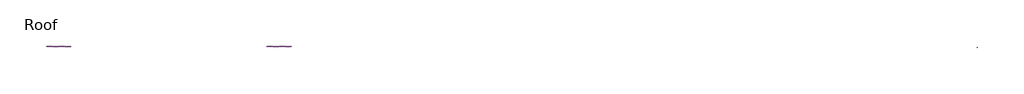
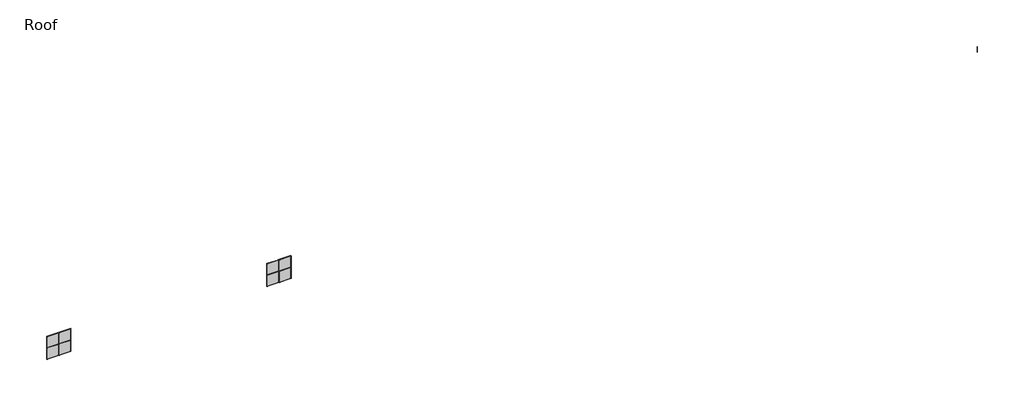
# One storey: 25 members, 8 plates.
"""IFC4 building model written with IfcOpenShell, lengths in millimetres."""

import ifcopenshell
import ifcopenshell.guid

model = None  # the IFC model being written
_history = None  # IfcOwnerHistory: only IFC2X3 demands one
_inside = {}  # id of a spatial element -> (the spatial element, [elements in it])
_under = {}  # id of a project, library or spatial element -> (it, [spatial elements below it])
_declared = {}  # id of a project -> (the project, [libraries it declares])
_typed = {}  # id of a type object -> (the type object, [elements of that type])
_made_of = {}  # id of a material, layer set ... -> (it, [elements and type objects made of it])


def new_model(schema):
    """Start an empty IFC model of exactly this schema.

    Asked for "IFC4X3", IfcOpenShell would pick the latest addendum, in which some entities
    have other attributes; the version numbers below select the first issue.
    IFC2X3 requires an IfcOwnerHistory on every rooted entity: one is made here for all.
    """
    global model, _history
    if schema == "IFC4X3":
        model = ifcopenshell.file(schema_version=(4, 3, 0, 0))
    else:
        model = ifcopenshell.file(schema=schema)
    _inside.clear()
    _under.clear()
    _declared.clear()
    _typed.clear()
    _made_of.clear()
    _history = None
    if model.schema == "IFC2X3":
        org = make("IfcOrganization", Name="unknown")
        user = make(
            "IfcPersonAndOrganization",
            ThePerson=make("IfcPerson", FamilyName="unknown"),
            TheOrganization=org,
        )
        app = make(
            "IfcApplication",
            ApplicationDeveloper=org,
            Version="unknown",
            ApplicationFullName="unknown",
            ApplicationIdentifier="unknown",
        )
        _history = make(
            "IfcOwnerHistory",
            OwningUser=user,
            OwningApplication=app,
            ChangeAction="ADDED",
            CreationDate=0,
        )
    return model


def make(cls, **values):
    """One entity of the class cls with the attributes given. An attribute that is None is left unset."""
    return model.create_entity(
        cls, **{name: value for name, value in values.items() if value is not None}
    )


def rooted(cls, **values):
    """An entity with a GlobalId (a new one), such as an element, a storey or a relation."""
    return make(cls, GlobalId=ifcopenshell.guid.new(), OwnerHistory=_history, **values)


def si_unit(unit_type, name, prefix=None):
    """IfcSIUnit, for example si_unit("LENGTHUNIT", "METRE", prefix="MILLI")."""
    return make("IfcSIUnit", UnitType=unit_type, Prefix=prefix, Name=name)


def assignment(units):
    """IfcUnitAssignment: the units of a project."""
    return None if units is None else make("IfcUnitAssignment", Units=units)


def point(xyz):
    """IfcCartesianPoint."""
    return None if xyz is None else make("IfcCartesianPoint", Coordinates=xyz)


def direction(xyz):
    """IfcDirection."""
    return None if xyz is None else make("IfcDirection", DirectionRatios=xyz)


def frame(location, z_axis=None, x_axis=None):
    """IfcAxis2Placement3D, a coordinate frame: its origin and axes. An axis left out is left unset."""
    return make(
        "IfcAxis2Placement3D",
        Location=point(location),
        Axis=direction(z_axis),
        RefDirection=direction(x_axis),
    )


def frame_2d(location, x_axis=None):
    """IfcAxis2Placement2D, a coordinate frame in the plane: its origin and x axis."""
    return make(
        "IfcAxis2Placement2D", Location=point(location), RefDirection=direction(x_axis)
    )


def origin():
    """The frame at (0, 0, 0) with its axes left unset."""
    return frame((0.0, 0.0, 0.0))


def origin_with_axes():
    """The frame at (0, 0, 0) with the z axis (0, 0, 1) and the x axis (1, 0, 0) written out."""
    return frame((0.0, 0.0, 0.0), z_axis=(0.0, 0.0, 1.0), x_axis=(1.0, 0.0, 0.0))


def place(relative_to, where):
    """IfcLocalPlacement: puts the frame where relative to a parent placement (None: the world)."""
    return make(
        "IfcLocalPlacement", PlacementRelTo=relative_to, RelativePlacement=where
    )


def context(
    kind, dimensions, precision=None, world=None, true_north=None, identifier=None
):
    """IfcGeometricRepresentationContext, for example the 3D "Model" context."""
    return make(
        "IfcGeometricRepresentationContext",
        ContextIdentifier=identifier,
        ContextType=kind,
        CoordinateSpaceDimension=dimensions,
        Precision=precision,
        WorldCoordinateSystem=world,
        TrueNorth=true_north,
    )


def project(units=None, contexts=None):
    """IfcProject with its units and contexts."""
    return rooted(
        "IfcProject",
        Name="project",
        RepresentationContexts=contexts,
        UnitsInContext=assignment(units),
    )


def spatial(cls, under=None, at=None, **own):
    """A site, building, storey or space (cls), placed at a placement, below another one or the project."""
    s = rooted(cls, ObjectPlacement=at, **own)
    if under is not None:
        _under.setdefault(under.id(), (under, []))[1].append(s)
    return s


def polyline(points):
    """IfcPolyline through the points."""
    return make("IfcPolyline", Points=[point(p) for p in points])


def circle_curve(where, radius):
    """IfcCircle in the frame where."""
    return make("IfcCircle", Position=where, Radius=radius)


def trimmed(basis, trim1, trim2, sense, master):
    """IfcTrimmedCurve: the piece of a basis curve between two trims."""
    return make(
        "IfcTrimmedCurve",
        BasisCurve=basis,
        Trim1=trim1,
        Trim2=trim2,
        SenseAgreement=sense,
        MasterRepresentation=master,
    )


def segment(curve, same_sense, transition):
    """IfcCompositeCurveSegment."""
    return make(
        "IfcCompositeCurveSegment",
        Transition=transition,
        SameSense=same_sense,
        ParentCurve=curve,
    )


def composite_curve(segments, self_intersect=None):
    """IfcCompositeCurve: segments joined end to end."""
    return make("IfcCompositeCurve", Segments=segments, SelfIntersect=self_intersect)


def outline(outer, holes=None, kind="AREA"):
    """IfcArbitraryClosedProfileDef: a profile drawn as a closed curve; with holes, ...WithVoids."""
    if holes is None:
        return make("IfcArbitraryClosedProfileDef", ProfileType=kind, OuterCurve=outer)
    return make(
        "IfcArbitraryProfileDefWithVoids",
        ProfileType=kind,
        OuterCurve=outer,
        InnerCurves=holes,
    )


def extrude(swept, where, along, depth):
    """IfcExtrudedAreaSolid: the profile swept, set in the frame where, extruded along a direction by depth."""
    return make(
        "IfcExtrudedAreaSolid",
        SweptArea=swept,
        Position=where,
        ExtrudedDirection=direction(along),
        Depth=depth,
    )


def shape(context_of_items, identifier, shape_type, items):
    """IfcShapeRepresentation: the items that make up one representation, for example the "Body"."""
    return make(
        "IfcShapeRepresentation",
        ContextOfItems=context_of_items,
        RepresentationIdentifier=identifier,
        RepresentationType=shape_type,
        Items=items,
    )


def source(mapping_origin, context_of_items, identifier, shape_type, items):
    """IfcRepresentationMap: a shape defined once, which mapped items show again and again."""
    return make(
        "IfcRepresentationMap",
        MappingOrigin=mapping_origin,
        MappedRepresentation=shape(context_of_items, identifier, shape_type, items),
    )


def transform(
    local_origin,
    x_axis=None,
    y_axis=None,
    z_axis=None,
    scale=None,
    scale2=None,
    scale3=None,
    uniform=True,
):
    """IfcCartesianTransformationOperator3D, or its non-uniform kind. x_axis, y_axis, z_axis: its Axis1, 2, 3."""
    if uniform:
        return make(
            "IfcCartesianTransformationOperator3D",
            Axis1=direction(x_axis),
            Axis2=direction(y_axis),
            LocalOrigin=point(local_origin),
            Scale=scale,
            Axis3=direction(z_axis),
        )
    return make(
        "IfcCartesianTransformationOperator3DnonUniform",
        Axis1=direction(x_axis),
        Axis2=direction(y_axis),
        LocalOrigin=point(local_origin),
        Scale=scale,
        Axis3=direction(z_axis),
        Scale2=scale2,
        Scale3=scale3,
    )


def mapped(mapping_source, mapping_target):
    """IfcMappedItem: shows the shape of a source again, moved by a transform."""
    return make(
        "IfcMappedItem", MappingSource=mapping_source, MappingTarget=mapping_target
    )


def made_of(thing, what):
    """Note that an element or type object is made of a material, layer set ...; save() writes the relation."""
    if what is not None:
        _made_of.setdefault(what.id(), (what, []))[1].append(thing)
    return thing


def element(
    cls,
    number,
    at=None,
    inside=None,
    cuts=None,
    type_object=None,
    material=None,
    context=None,
    identifier="Body",
    shape_type=None,
    held_by="IfcProductDefinitionShape",
    body=None,
    shapes=None,
    **own,
):
    """One element of the class cls, such as IfcWall. Its Tag is "e" and its number.

    at: its placement. inside: the storey or other place that contains it. cuts: it is an
    opening in that element (IfcRelVoidsElement). A single representation is given by context,
    identifier, shape_type and body (its items); several are given by shapes. held_by: the class
    of the entity that holds the representations. save() writes the other relations.
    """
    e = rooted(cls, Tag="e%d" % number, ObjectPlacement=at, **own)
    if body is not None:
        shapes = [shape(context, identifier, shape_type, body)]
    if shapes is not None:
        e.Representation = make(held_by, Representations=shapes)
    if inside is not None:
        _inside.setdefault(inside.id(), (inside, []))[1].append(e)
    if cuts is not None:
        rooted(
            "IfcRelVoidsElement", RelatingBuildingElement=cuts, RelatedOpeningElement=e
        )
    if type_object is not None:
        _typed.setdefault(type_object.id(), (type_object, []))[1].append(e)
    return made_of(e, material)


def aggregate(whole, parts):
    """IfcRelAggregates: a whole, such as a stair, and the parts it consists of."""
    return rooted("IfcRelAggregates", RelatingObject=whole, RelatedObjects=parts)


def save(model, path):
    """Write the relations noted so far, then the file.

    IfcRelAggregates (storeys below a building ...), IfcRelContainedInSpatialStructure (elements
    in a storey), IfcRelDefinesByType, IfcRelAssociatesMaterial and IfcRelDeclares: one each for
    every whole, place, type object, material and project.
    """
    for whole, parts in _under.values():
        aggregate(whole, parts)
    for where, things in _inside.values():
        rooted(
            "IfcRelContainedInSpatialStructure",
            RelatedElements=things,
            RelatingStructure=where,
        )
    for kind, things in _typed.values():
        rooted("IfcRelDefinesByType", RelatedObjects=things, RelatingType=kind)
    for what, things in _made_of.values():
        rooted("IfcRelAssociatesMaterial", RelatedObjects=things, RelatingMaterial=what)
    for by, libraries in _declared.values():
        rooted("IfcRelDeclares", RelatingContext=by, RelatedDefinitions=libraries)
    model.write(path)


def rectangular_mullion_fd954d66(model_context):
    return source(origin(), model_context, "Body", "SweptSolid", [
        extrude(outline(composite_curve([segment(trimmed(circle_curve(frame_2d((-14.4781283, -76.3341101)), 19.1273576), [point((0.0, -63.8345257))], [point((-15.5444015, -57.2364958))], True, "CARTESIAN"), True, "CONTINUOUS"), segment(polyline([(-15.5444015, -57.2364958), (-132.2066015, -57.2314068), (-132.2066015, 32.2781932), (-123.8064304, 32.2781932), (-123.8064304, 29.7380662), (-112.5216015, 29.7380662)]), True, "CONTINUOUS"), segment(trimmed(circle_curve(frame_2d((-112.5216015, 32.2780662)), 2.54), [point((-112.5216015, 29.7380662))], [point((-109.9816015, 32.2780662))], True, "CARTESIAN"), True, "CONTINUOUS"), segment(polyline([(-109.9816015, 32.2780662), (-109.9816015, 53.5125932)]), True, "CONTINUOUS"), segment(trimmed(circle_curve(frame_2d((-111.5056015, 53.5125932)), 1.524), [point((-109.9816015, 53.5125932))], [point((-111.5056015, 55.0365932))], True, "CARTESIAN"), True, "CONTINUOUS"), segment(polyline([(-111.5056015, 55.0365932), (-123.8119015, 55.0365932), (-123.8119015, 48.1785932), (-132.2066015, 48.1785932), (-132.2066015, 57.0685932), (-15.5444015, 57.0738091)]), True, "CONTINUOUS"), segment(trimmed(circle_curve(frame_2d((-14.4781283, 76.1714234)), 19.1273576), [point((-15.5444015, 57.0738091))], [point((0.0, 63.671839))], True, "CARTESIAN"), True, "CONTINUOUS"), segment(polyline([(0.0, 63.671839), (0.0, -63.8345257)]), True, "CONTINUOUS")], self_intersect=False)), frame((0.0, 0.0, -3048.0), z_axis=(0.0, 0.0, 1.0), x_axis=(1.0, 0.0, 0.0)), (0.0, 0.0, 1.0), 3048.0),
    ])


def rectangular_mullion_c018686a(model_context):
    return source(origin(), model_context, "Body", "SweptSolid", [
        extrude(outline(composite_curve([segment(polyline([(25.4, -56.7783992), (-25.4, -56.7783992), (-25.4, 37.5530336), (-6.35381, 37.5530336), (-6.35381, 43.9009623)]), True, "CONTINUOUS"), segment(trimmed(circle_curve(frame_2d((-0.001905, 60.8852617)), 18.133205), [point((-6.35381, 43.9009623))], [point((6.35, 43.9009623))], True, "CARTESIAN"), True, "CONTINUOUS"), segment(polyline([(6.35, 43.9009623), (6.35, 37.5299617), (25.4, 37.5299617), (25.4, -56.7783992)]), True, "CONTINUOUS")], self_intersect=False)), frame((0.0, 0.0, -6096.0), z_axis=(0.0, 0.0, 1.0), x_axis=(1.0, 0.0, 0.0)), (0.0, 0.0, 1.0), 6096.0),
    ])


def rectangular_mullion_b3b58000(model_context):
    return source(origin(), model_context, "Body", "SweptSolid", [
        extrude(outline(polyline([(0.0, -59.9711801), (-50.7746, -59.9711801), (-50.7746, 37.4228461), (-41.2496, 37.4228461), (-41.2496, 43.8630845), (-50.7746, 43.8630845), (-50.7746, 60.6788199), (0.0, 60.6788199), (0.0, -59.9711801)])), frame((0.0, 0.0, -6019.8), z_axis=(0.0, 0.0, 1.0), x_axis=(1.0, 0.0, 0.0)), (0.0, 0.0, 1.0), 6019.8),
    ])


def rectangular_mullion_9a50028f(model_context):
    return source(origin(), model_context, "Body", "SweptSolid", [
        extrude(outline(polyline([(25.577466, -55.7885929), (-25.222534, -55.7885929), (-25.222534, 37.549145), (-15.888034, 37.549145), (-15.888034, 43.899145), (-25.222534, 43.899145), (-25.222534, 56.937275), (25.577466, 56.937275), (25.577466, 43.8743403), (16.052466, 43.8743403), (16.052466, 37.5367426), (25.577466, 37.5367426), (25.577466, -55.7885929)])), frame((0.0, 0.0, -6000.75), z_axis=(0.0, 0.0, 1.0), x_axis=(1.0, 0.0, 0.0)), (0.0, 0.0, 1.0), 6000.75),
    ])


def rectangular_mullion_ac8c7720(model_context):
    return source(origin(), model_context, "Body", "SweptSolid", [
        extrude(outline(polyline([(-50.7746, 37.4716396), (-41.2496, 37.4716396), (-41.2496, 43.911878), (-50.7746, 43.911878), (-50.7746, 60.7056888), (0.0, 60.7056888), (0.0, -59.9443112), (-50.7746, -59.9443112), (-50.7746, 37.4716396)])), frame((0.0, 0.0, -6000.75), z_axis=(0.0, 0.0, 1.0), x_axis=(1.0, 0.0, 0.0)), (0.0, 0.0, 1.0), 6000.75),
    ])


def rectangular_mullion_5c6e44ed(model_context):
    return source(origin(), model_context, "Body", "SweptSolid", [
        extrude(outline(polyline([(0.0, -56.6539294), (-50.8, -56.6539294), (-50.8, 37.5412993), (-41.275, 37.5412993), (-41.275, 43.8912993), (-49.0449765, 43.8912993), (-49.0449765, 57.6460706), (0.0, 57.6460706), (0.0, -56.6539294)])), frame((0.0, 0.0, -6096.0), z_axis=(0.0, 0.0, 1.0), x_axis=(1.0, 0.0, 0.0)), (0.0, 0.0, 1.0), 6096.0),
    ])


def rectangular_mullion_3f46d58b(model_context):
    return source(origin(), model_context, "Body", "SweptSolid", [
        extrude(outline(polyline([(25.3987808, 25.5906905), (25.3987808, 11.8759776), (16.09725, 11.8759776), (16.09725, 5.5259776), (25.3987808, 5.5259776), (25.3987808, -25.2093095), (46.0362808, -25.2093095), (46.0362808, -28.3843095), (-46.0387192, -28.3843095), (-46.0387192, -25.2093095), (-27.0045942, -25.2093095), (-27.0045942, 5.5259776), (-16.09725, 5.5259776), (-16.09725, 11.8759776), (-26.6077192, 11.8759776), (-26.6077192, 25.5906905), (25.3987808, 25.5906905)])), frame((0.0, 0.0, -6096.0), z_axis=(0.0, 0.0, 1.0), x_axis=(1.0, 0.0, 0.0)), (0.0, 0.0, 1.0), 6096.0),
    ])


def rectangular_mullion_4afe8cf6(model_context):
    return source(origin(), model_context, "Body", "SweptSolid", [
        extrude(outline(composite_curve([segment(polyline([(-9.525, -28.4594839), (-60.2996, -28.4594839), (-60.2996, 5.5949086), (-50.7746, 5.5949086), (-50.7746, 11.9449086), (-60.2996, 11.9449086), (-60.2996, 28.6905161), (-9.525, 28.6905161)]), True, "CONTINUOUS"), segment(trimmed(circle_curve(frame_2d((-8.4161053, 40.7033417)), 12.0638976), [point((-9.525, 28.6905161))], [point((0.0, 32.0600322))], True, "CARTESIAN"), True, "CONTINUOUS"), segment(polyline([(0.0, 32.0600322), (0.0, -16.3495041), (-9.525, -16.3495041), (-9.525, -28.4594839)]), True, "CONTINUOUS")], self_intersect=False)), frame((0.0, 0.0, -5989.632717), z_axis=(0.0, 0.0, 1.0), x_axis=(1.0, 0.0, 0.0)), (0.0, 0.0, 1.0), 5989.632717),
    ])


def rectangular_mullion_d81495e9(model_context):
    return source(origin(), model_context, "Body", "SweptSolid", [
        extrude(outline(composite_curve([segment(polyline([(25.3975616, 25.0023313), (25.3975616, 11.9550656), (15.8762192, 11.9550656), (15.8762192, 5.6050656), (25.3975616, 5.6050656), (25.3975616, -25.2007687), (46.0375, -25.2007688), (46.0375, -28.3757688), (15.24, -28.3757688)]), True, "CONTINUOUS"), segment(trimmed(circle_curve(frame_2d((15.24, -25.2007687)), 3.175), [point((15.24, -28.3757688))], [point((12.1093932, -25.7298489))], False, "CARTESIAN"), True, "CONTINUOUS"), segment(trimmed(circle_curve(frame_2d((8.9787863, -26.258929)), 3.175), [point((12.1093932, -25.7298489))], [point((8.9787863, -23.083929))], True, "CARTESIAN"), True, "CONTINUOUS"), segment(polyline([(8.9787863, -23.083929), (-8.9787863, -23.083929)]), True, "CONTINUOUS"), segment(trimmed(circle_curve(frame_2d((-8.9787863, -26.258929)), 3.175), [point((-8.9787863, -23.083929))], [point((-12.1093932, -25.7298489))], True, "CARTESIAN"), True, "CONTINUOUS"), segment(trimmed(circle_curve(frame_2d((-15.24, -25.2007687)), 3.175), [point((-12.1093932, -25.7298489))], [point((-15.24, -28.3757687))], False, "CARTESIAN"), True, "CONTINUOUS"), segment(polyline([(-15.24, -28.3757687), (-46.0375, -28.3757687), (-46.0375, -25.2007687), (-25.4012192, -25.2007688), (-25.4012192, 5.9523313), (-16.0642808, 5.9523313), (-16.0642808, 12.3023313), (-25.4012192, 12.3023313), (-25.4012192, 25.0023313), (25.3975616, 25.0023313)]), True, "CONTINUOUS")], self_intersect=False)), frame((0.0, 0.0, -5986.4612808), z_axis=(0.0, 0.0, 1.0), x_axis=(1.0, 0.0, 0.0)), (0.0, 0.0, 1.0), 5986.4612808),
    ])


def rectangular_mullion_22a14ff7(model_context):
    return source(origin(), model_context, "Body", "SweptSolid", [
        extrude(outline(composite_curve([segment(polyline([(-9.525, -19.5874442), (-9.525, -27.9610682), (-60.2996, -27.9610682), (-60.2996, 6.0003946), (-50.7746, 6.0003946), (-50.7746, 12.3301626), (-60.2996, 12.3301626), (-60.2996, 25.4043318), (-33.3006192, 25.4043318), (-33.3006192, 29.1889318), (-9.525, 29.1889318)]), True, "CONTINUOUS"), segment(trimmed(circle_curve(frame_2d((-8.4008069, 41.1585118)), 12.0222566), [point((-9.525, 29.1889318))], [point((0.0, 32.558448))], True, "CARTESIAN"), True, "CONTINUOUS"), segment(polyline([(0.0, 32.558448), (0.0, -19.5874442), (-9.525, -19.5874442)]), True, "CONTINUOUS")], self_intersect=False)), frame((0.0, 0.0, -6000.75), z_axis=(0.0, 0.0, 1.0), x_axis=(1.0, 0.0, 0.0)), (0.0, 0.0, 1.0), 6000.75),
    ])


def rectangular_mullion_e8343105(model_context):
    return source(origin(), model_context, "Body", "SweptSolid", [
        extrude(outline(composite_curve([segment(polyline([(-9.5134254, -16.8495084), (-9.5261254, -25.1965423), (-60.3285638, -25.1965423), (-60.3285638, 5.6068317), (-51.0245946, 5.6068317), (-51.0245946, 11.8976573), (-60.3285638, 11.8976573), (-60.3285638, 25.6034577), (-9.5261254, 25.6034577), (-9.5261254, 28.7784577)]), True, "CONTINUOUS"), segment(trimmed(circle_curve(frame_2d((-7.2953837, 37.2868144)), 8.7959275), [point((-9.5261254, 28.7784577))], [point((0.0, 32.3729852))], True, "CARTESIAN"), True, "CONTINUOUS"), segment(polyline([(0.0, 32.3729852), (0.0, -16.8495084), (-9.5134254, -16.8495084)]), True, "CONTINUOUS")], self_intersect=False)), frame((0.0, 0.0, -6096.0), z_axis=(0.0, 0.0, 1.0), x_axis=(1.0, 0.0, 0.0)), (0.0, 0.0, 1.0), 6096.0),
    ])


def rectangular_mullion_rectangular_mullion_1_8521bc13(model_context):
    return source(origin(), model_context, "Body", "SweptSolid", [
        extrude(outline(polyline([(31.75, 63.5), (31.75, -63.5), (-31.75, -63.5), (-31.75, 63.5), (31.75, 63.5)])), frame((0.0, 0.0, -6096.0), z_axis=(0.0, 0.0, 1.0), x_axis=(1.0, 0.0, 0.0)), (0.0, 0.0, 1.0), 6096.0),
    ])


def rectangular_mullion_rectangular_mullion_1_ac156f2b(model_context):
    return source(origin(), model_context, "Body", "SweptSolid", [
        extrude(outline(polyline([(0.0, 63.5), (0.0, -63.5), (-63.5, -63.5), (-63.5, 63.5), (0.0, 63.5)])), frame((0.0, 0.0, -6096.0), z_axis=(0.0, 0.0, 1.0), x_axis=(1.0, 0.0, 0.0)), (0.0, 0.0, 1.0), 6096.0),
    ])


def rectangular_mullion_rectangular_mullion_1_7c03d1f1(model_context):
    return source(origin(), model_context, "Body", "SweptSolid", [
        extrude(outline(polyline([(0.0, 63.5), (0.0, -63.5), (-63.5, -63.5), (-63.5, 63.5), (0.0, 63.5)])), frame((0.0, 0.0, -6038.85), z_axis=(0.0, 0.0, 1.0), x_axis=(1.0, 0.0, 0.0)), (0.0, 0.0, 1.0), 6038.85),
    ])


def rectangular_mullion_rectangular_mullion_1_59159d86(model_context):
    return source(origin(), model_context, "Body", "SweptSolid", [
        extrude(outline(polyline([(31.75, 63.5), (31.75, -63.5), (-31.75, -63.5), (-31.75, 63.5), (31.75, 63.5)])), frame((0.0, 0.0, -6032.5), z_axis=(0.0, 0.0, 1.0), x_axis=(1.0, 0.0, 0.0)), (0.0, 0.0, 1.0), 6032.5),
    ])


def rectangular_mullion_rectangular_mullion_1_3f26a5c1(model_context):
    return source(origin(), model_context, "Body", "SweptSolid", [
        extrude(outline(polyline([(0.0, 63.5), (0.0, -63.5), (-63.5, -63.5), (-63.5, 63.5), (0.0, 63.5)])), frame((0.0, 0.0, -6032.5), z_axis=(0.0, 0.0, 1.0), x_axis=(1.0, 0.0, 0.0)), (0.0, 0.0, 1.0), 6032.5),
    ])


def rectangular_mullion_rectangular_mullion_1_06935588(model_context):
    return source(origin(), model_context, "Body", "SweptSolid", [
        extrude(outline(polyline([(0.0, 63.5), (0.0, -63.5), (-63.5, -63.5), (-63.5, 63.5), (0.0, 63.5)])), frame((0.0, 0.0, -6018.0639632), z_axis=(0.0, 0.0, 1.0), x_axis=(1.0, 0.0, 0.0)), (0.0, 0.0, 1.0), 6018.0639632),
    ])


def rectangular_mullion_rectangular_mullion_1_8f23b4e0(model_context):
    return source(origin(), model_context, "Body", "SweptSolid", [
        extrude(outline(polyline([(31.75, 63.5), (31.75, -63.5), (-31.75, -63.5), (-31.75, 63.5), (31.75, 63.5)])), frame((0.0, 0.0, -6018.0639632), z_axis=(0.0, 0.0, 1.0), x_axis=(1.0, 0.0, 0.0)), (0.0, 0.0, 1.0), 6018.0639632),
    ])


def curtain_panel33_curtain_panel_84496fcb(model_context):
    return source(origin(), model_context, "Body", "SweptSolid", [
        extrude(outline(polyline([(516890.6179845, 2929.2807893), (510842.2467945, 2929.2807893), (510842.2467945, 2935.6307893), (516890.6179845, 2935.6307893), (516890.6179845, 2929.2807893)])), frame((0.0, 0.0, 11335.719352), z_axis=(0.0, 0.0, 1.0), x_axis=(1.0, 0.0, 0.0)), (0.0, 0.0, 1.0), 6038.697934),
    ])


def curtain_panel34_curtain_panel_d8b5cee8(model_context):
    return source(origin(), model_context, "Body", "SweptSolid", [
        extrude(outline(polyline([(516865.2217945, 2929.2807893), (510864.4717945, 2929.2807893), (510864.4717945, 2935.6307893), (516865.2217945, 2935.6307893), (516865.2217945, 2929.2807893)])), frame((0.0, 0.0, 5264.916486), z_axis=(0.0, 0.0, 1.0), x_axis=(1.0, 0.0, 0.0)), (0.0, 0.0, 1.0), 6038.862366),
    ])


def curtain_panel35_curtain_panel_46f58d58(model_context):
    return source(origin(), model_context, "Body", "SweptSolid", [
        extrude(outline(polyline([(522961.2217945, 2929.2807893), (516903.3217945, 2929.2807893), (516903.3217945, 2935.6307893), (522961.2217945, 2935.6307893), (522961.2217945, 2929.2807893)])), frame((0.0, 0.0, 11351.416886), z_axis=(0.0, 0.0, 1.0), x_axis=(1.0, 0.0, 0.0)), (0.0, 0.0, 1.0), 6000.75),
    ])


def curtain_panel36_curtain_panel_efc78c7e(model_context):
    return source(origin(), model_context, "Body", "SweptSolid", [
        extrude(outline(polyline([(627988.0033653, 2961.2292268), (621959.1252099, 2961.2292268), (621959.1252099, 2967.5792268), (627988.0033653, 2967.5792268), (627988.0033653, 2961.2292268)])), frame((0.0, 0.0, 11335.5431052), z_axis=(0.0, 0.0, 1.0), x_axis=(1.0, 0.0, 0.0)), (0.0, 0.0, 1.0), 6029.3491808),
    ])


def curtain_panel37_curtain_panel_f6ef3222(model_context):
    return source(origin(), model_context, "Body", "SweptSolid", [
        extrude(outline(polyline([(627972.3506153, 2960.8323518), (621971.6006153, 2960.8323518), (621971.6006153, 2967.1823518), (627972.3506153, 2967.1823518), (627972.3506153, 2960.8323518)])), frame((0.0, 0.0, 5274.441486), z_axis=(0.0, 0.0, 1.0), x_axis=(1.0, 0.0, 0.0)), (0.0, 0.0, 1.0), 6029.1611192),
    ])


def curtain_panel38_curtain_panel_6c9c66c5(model_context):
    return source(origin(), model_context, "Body", "SweptSolid", [
        extrude(outline(polyline([(634068.3506153, 2961.2292268), (628020.1978653, 2961.2292268), (628020.1978653, 2967.5792268), (634068.3506153, 2967.5792268), (634068.3506153, 2961.2292268)])), frame((0.0, 0.0, 11351.416886), z_axis=(0.0, 0.0, 1.0), x_axis=(1.0, 0.0, 0.0)), (0.0, 0.0, 1.0), 6000.75),
    ])


def system_panel_glazed_c2be340c(model_context):
    return source(origin(), model_context, "Body", "SweptSolid", [
        extrude(outline(polyline([(3016.25, 19.05), (-3016.25, 19.05), (-3016.25, 44.45), (3016.25, 44.45), (3016.25, 19.05)])), origin_with_axes(), (0.0, 0.0, 1.0), 6000.75),
    ])


model = new_model("IFC4")

# Units and contexts
model_context = context("Model", 3, world=origin())
ifc_project = project(units=[si_unit("LENGTHUNIT", "METRE", prefix="MILLI")], contexts=[model_context])

# Site, building, storey
site = spatial("IfcSite", under=ifc_project)
building = spatial("IfcBuilding", under=site)
storey = spatial("IfcBuildingStorey", under=building, Name="Roof", Elevation=6096.0)

# Members
placement = place(None, origin())
rectangular_mullion_shape = rectangular_mullion_fd954d66(model_context)
element("IfcMember", 1, ObjectType="Rectangular Mullion", at=placement, inside=storey, context=model_context, shape_type="MappedRepresentation", body=[
    mapped(rectangular_mullion_shape, transform((980089.0088652, 2481.7690721, 8271.666886), x_axis=(-1.0, 0.0, 0.0), y_axis=(0.0, -1.0, 0.0), z_axis=(0.0, 0.0, 1.0))),
])
rectangular_mullion_2_shape = rectangular_mullion_c018686a(model_context)
element("IfcMember", 2, ObjectType="Rectangular Mullion", at=placement, inside=storey, context=model_context, shape_type="MappedRepresentation", body=[
    mapped(rectangular_mullion_2_shape, transform((516896.9717945, 2973.1354768, 11319.666886), x_axis=(1.0, 0.0, 0.0), y_axis=(0.0, -1.0, 0.0), z_axis=(0.0, 0.0, -1.0))),
])
rectangular_mullion_3_shape = rectangular_mullion_b3b58000(model_context)
element("IfcMember", 3, ObjectType="Rectangular Mullion", at=placement, inside=storey, context=model_context, shape_type="MappedRepresentation", body=[
    mapped(rectangular_mullion_3_shape, transform((516871.5717945, 2973.1354768, 17415.666886), x_axis=(0.0, 0.0, 1.0), y_axis=(0.0, -1.0, 0.0), z_axis=(1.0, 0.0, 0.0))),
])
rectangular_mullion_4_shape = rectangular_mullion_9a50028f(model_context)
element("IfcMember", 4, ObjectType="Rectangular Mullion", at=placement, inside=storey, context=model_context, shape_type="MappedRepresentation", body=[
    mapped(rectangular_mullion_4_shape, transform((516865.2217945, 2973.1354768, 11319.666886), x_axis=(0.0, 0.0, 1.0), y_axis=(0.0, -1.0, 0.0), z_axis=(1.0, 0.0, 0.0))),
])
rectangular_mullion_5_shape = rectangular_mullion_ac8c7720(model_context)
element("IfcMember", 5, ObjectType="Rectangular Mullion", at=placement, inside=storey, context=model_context, shape_type="MappedRepresentation", body=[
    mapped(rectangular_mullion_5_shape, transform((510864.4717945, 2973.1354768, 5223.666886), x_axis=(0.0, 0.0, -1.0), y_axis=(0.0, -1.0, 0.0), z_axis=(-1.0, 0.0, 0.0))),
])
rectangular_mullion_6_shape = rectangular_mullion_5c6e44ed(model_context)
element("IfcMember", 6, ObjectType="Rectangular Mullion", at=placement, inside=storey, context=model_context, shape_type="MappedRepresentation", body=[
    mapped(rectangular_mullion_6_shape, transform((510800.9717945, 2973.1354768, 17415.666886), x_axis=(-1.0, 0.0, 0.0), y_axis=(0.0, -1.0, 0.0), z_axis=(0.0, 0.0, 1.0))),
])
rectangular_mullion_7_shape = rectangular_mullion_3f46d58b(model_context)
element("IfcMember", 7, ObjectType="Rectangular Mullion", at=placement, inside=storey, context=model_context, shape_type="MappedRepresentation", body=[
    mapped(rectangular_mullion_7_shape, transform((628004.1006153, 2973.1354768, 11319.666886), x_axis=(1.0, 0.0, 0.0), y_axis=(0.0, -1.0, 0.0), z_axis=(0.0, 0.0, -1.0))),
])
rectangular_mullion_8_shape = rectangular_mullion_4afe8cf6(model_context)
element("IfcMember", 8, ObjectType="Rectangular Mullion", at=placement, inside=storey, context=model_context, shape_type="MappedRepresentation", body=[
    mapped(rectangular_mullion_8_shape, transform((627958.0618961, 2973.1354768, 17415.666886), x_axis=(0.0, 0.0, 1.0), y_axis=(0.0, -1.0, 0.0), z_axis=(1.0, 0.0, 0.0))),
])
rectangular_mullion_9_shape = rectangular_mullion_d81495e9(model_context)
element("IfcMember", 9, ObjectType="Rectangular Mullion", at=placement, inside=storey, context=model_context, shape_type="MappedRepresentation", body=[
    mapped(rectangular_mullion_9_shape, transform((627958.0618961, 2973.1354768, 11319.666886), x_axis=(0.0, 0.0, 1.0), y_axis=(0.0, -1.0, 0.0), z_axis=(1.0, 0.0, 0.0))),
])
rectangular_mullion_10_shape = rectangular_mullion_22a14ff7(model_context)
element("IfcMember", 10, ObjectType="Rectangular Mullion", at=placement, inside=storey, context=model_context, shape_type="MappedRepresentation", body=[
    mapped(rectangular_mullion_10_shape, transform((621971.6006153, 2973.1354768, 5223.666886), x_axis=(0.0, 0.0, -1.0), y_axis=(0.0, -1.0, 0.0), z_axis=(-1.0, 0.0, 0.0))),
])
rectangular_mullion_11_shape = rectangular_mullion_e8343105(model_context)
element("IfcMember", 11, ObjectType="Rectangular Mullion", at=placement, inside=storey, context=model_context, shape_type="MappedRepresentation", body=[
    mapped(rectangular_mullion_11_shape, transform((621908.1006153, 2973.1354768, 17415.666886), x_axis=(-1.0, 0.0, 0.0), y_axis=(0.0, -1.0, 0.0), z_axis=(0.0, 0.0, 1.0))),
])
rectangular_mullion_rectangular_mullion_1_shape = rectangular_mullion_rectangular_mullion_1_8521bc13(model_context)
element("IfcMember", 12, ObjectType="Rectangular Mullion : Rectangular Mullion 1", at=placement, inside=storey, context=model_context, shape_type="MappedRepresentation", body=[
    mapped(rectangular_mullion_rectangular_mullion_1_shape, transform((516896.9717945, 2973.1354768, 5223.666886), x_axis=(1.0, 0.0, 0.0), y_axis=(0.0, -1.0, 0.0), z_axis=(0.0, 0.0, -1.0))),
])
element("IfcMember", 13, ObjectType="Rectangular Mullion : Rectangular Mullion 1", at=placement, inside=storey, context=model_context, shape_type="MappedRepresentation", body=[
    mapped(rectangular_mullion_rectangular_mullion_1_shape, transform((628004.1006153, 2973.1354768, 5223.666886), x_axis=(1.0, 0.0, 0.0), y_axis=(0.0, -1.0, 0.0), z_axis=(0.0, 0.0, -1.0))),
])
element("IfcMember", 14, ObjectType="Rectangular Mullion : Rectangular Mullion 1", at=placement, inside=storey, context=model_context, shape_type="MappedRepresentation", body=[
    mapped(rectangular_mullion_rectangular_mullion_1_shape, transform((522992.9717945, 2973.1354768, 11319.666886), x_axis=(1.0, 0.0, 0.0), y_axis=(0.0, -1.0, 0.0), z_axis=(0.0, 0.0, -1.0))),
])
element("IfcMember", 15, ObjectType="Rectangular Mullion : Rectangular Mullion 1", at=placement, inside=storey, context=model_context, shape_type="MappedRepresentation", body=[
    mapped(rectangular_mullion_rectangular_mullion_1_shape, transform((634100.1006153, 2973.1354768, 11319.666886), x_axis=(1.0, 0.0, 0.0), y_axis=(0.0, -1.0, 0.0), z_axis=(0.0, 0.0, -1.0))),
])
element("IfcMember", 16, ObjectType="Rectangular Mullion : Rectangular Mullion 1", at=placement, inside=storey, context=model_context, shape_type="MappedRepresentation", body=[
    mapped(rectangular_mullion_rectangular_mullion_1_shape, transform((522992.9717945, 2973.1354768, 5223.666886), x_axis=(1.0, 0.0, 0.0), y_axis=(0.0, -1.0, 0.0), z_axis=(0.0, 0.0, -1.0))),
])
element("IfcMember", 17, ObjectType="Rectangular Mullion : Rectangular Mullion 1", at=placement, inside=storey, context=model_context, shape_type="MappedRepresentation", body=[
    mapped(rectangular_mullion_rectangular_mullion_1_shape, transform((634100.1006153, 2973.1354768, 5223.666886), x_axis=(1.0, 0.0, 0.0), y_axis=(0.0, -1.0, 0.0), z_axis=(0.0, 0.0, -1.0))),
])
rectangular_mullion_rectangular_mullion_1_2_shape = rectangular_mullion_rectangular_mullion_1_ac156f2b(model_context)
element("IfcMember", 18, ObjectType="Rectangular Mullion : Rectangular Mullion 1", at=placement, inside=storey, context=model_context, shape_type="MappedRepresentation", body=[
    mapped(rectangular_mullion_rectangular_mullion_1_2_shape, transform((510800.9717945, 2973.1354768, 11319.666886), x_axis=(-1.0, 0.0, 0.0), y_axis=(0.0, -1.0, 0.0), z_axis=(0.0, 0.0, 1.0))),
])
element("IfcMember", 19, ObjectType="Rectangular Mullion : Rectangular Mullion 1", at=placement, inside=storey, context=model_context, shape_type="MappedRepresentation", body=[
    mapped(rectangular_mullion_rectangular_mullion_1_2_shape, transform((621908.1006153, 2973.1354768, 11319.666886), x_axis=(-1.0, 0.0, 0.0), y_axis=(0.0, -1.0, 0.0), z_axis=(0.0, 0.0, 1.0))),
])
rectangular_mullion_rectangular_mullion_1_3_shape = rectangular_mullion_rectangular_mullion_1_7c03d1f1(model_context)
element("IfcMember", 20, ObjectType="Rectangular Mullion : Rectangular Mullion 1", at=placement, inside=storey, context=model_context, shape_type="MappedRepresentation", body=[
    mapped(rectangular_mullion_rectangular_mullion_1_3_shape, transform((522961.2217945, 2973.1354768, 17415.666886), x_axis=(0.0, 0.0, 1.0), y_axis=(0.0, -1.0, 0.0), z_axis=(1.0, 0.0, 0.0))),
])
rectangular_mullion_rectangular_mullion_1_4_shape = rectangular_mullion_rectangular_mullion_1_59159d86(model_context)
element("IfcMember", 21, ObjectType="Rectangular Mullion : Rectangular Mullion 1", at=placement, inside=storey, context=model_context, shape_type="MappedRepresentation", body=[
    mapped(rectangular_mullion_rectangular_mullion_1_4_shape, transform((522961.2217945, 2973.1354768, 11319.666886), x_axis=(0.0, 0.0, 1.0), y_axis=(0.0, -1.0, 0.0), z_axis=(1.0, 0.0, 0.0))),
])
rectangular_mullion_rectangular_mullion_1_5_shape = rectangular_mullion_rectangular_mullion_1_3f26a5c1(model_context)
element("IfcMember", 22, ObjectType="Rectangular Mullion : Rectangular Mullion 1", at=placement, inside=storey, context=model_context, shape_type="MappedRepresentation", body=[
    mapped(rectangular_mullion_rectangular_mullion_1_5_shape, transform((516928.7217945, 2973.1354768, 5223.666886), x_axis=(0.0, 0.0, -1.0), y_axis=(0.0, -1.0, 0.0), z_axis=(-1.0, 0.0, 0.0))),
])
element("IfcMember", 23, ObjectType="Rectangular Mullion : Rectangular Mullion 1", at=placement, inside=storey, context=model_context, shape_type="MappedRepresentation", body=[
    mapped(rectangular_mullion_rectangular_mullion_1_5_shape, transform((628035.8506153, 2973.1354768, 5223.666886), x_axis=(0.0, 0.0, -1.0), y_axis=(0.0, -1.0, 0.0), z_axis=(-1.0, 0.0, 0.0))),
])
rectangular_mullion_rectangular_mullion_1_6_shape = rectangular_mullion_rectangular_mullion_1_06935588(model_context)
element("IfcMember", 24, ObjectType="Rectangular Mullion : Rectangular Mullion 1", at=placement, inside=storey, context=model_context, shape_type="MappedRepresentation", body=[
    mapped(rectangular_mullion_rectangular_mullion_1_6_shape, transform((634068.3506153, 2973.1354768, 17415.666886), x_axis=(0.0, 0.0, 1.0), y_axis=(0.0, -1.0, 0.0), z_axis=(1.0, 0.0, 0.0))),
])
rectangular_mullion_rectangular_mullion_1_7_shape = rectangular_mullion_rectangular_mullion_1_8f23b4e0(model_context)
element("IfcMember", 25, ObjectType="Rectangular Mullion : Rectangular Mullion 1", at=placement, inside=storey, context=model_context, shape_type="MappedRepresentation", body=[
    mapped(rectangular_mullion_rectangular_mullion_1_7_shape, transform((634068.3506153, 2973.1354768, 11319.666886), x_axis=(0.0, 0.0, 1.0), y_axis=(0.0, -1.0, 0.0), z_axis=(1.0, 0.0, 0.0))),
])

# Plates
curtain_panel33_curtain_panel_shape = curtain_panel33_curtain_panel_84496fcb(model_context)
element("IfcPlate", 26, ObjectType="Curtain Panel33 : Curtain Panel", at=placement, inside=storey, context=model_context, shape_type="MappedRepresentation", body=[
    mapped(curtain_panel33_curtain_panel_shape, transform((0.0, 0.0, 0.0), x_axis=(1.0, 0.0, 0.0), y_axis=(0.0, 1.0, 0.0), z_axis=(0.0, 0.0, 1.0))),
])
curtain_panel34_curtain_panel_shape = curtain_panel34_curtain_panel_d8b5cee8(model_context)
element("IfcPlate", 27, ObjectType="Curtain Panel34 : Curtain Panel", at=placement, inside=storey, context=model_context, shape_type="MappedRepresentation", body=[
    mapped(curtain_panel34_curtain_panel_shape, transform((0.0, 0.0, 0.0), x_axis=(1.0, 0.0, 0.0), y_axis=(0.0, 1.0, 0.0), z_axis=(0.0, 0.0, 1.0))),
])
curtain_panel35_curtain_panel_shape = curtain_panel35_curtain_panel_46f58d58(model_context)
element("IfcPlate", 28, ObjectType="Curtain Panel35 : Curtain Panel", at=placement, inside=storey, context=model_context, shape_type="MappedRepresentation", body=[
    mapped(curtain_panel35_curtain_panel_shape, transform((0.0, 0.0, 0.0), x_axis=(1.0, 0.0, 0.0), y_axis=(0.0, 1.0, 0.0), z_axis=(0.0, 0.0, 1.0))),
])
curtain_panel36_curtain_panel_shape = curtain_panel36_curtain_panel_efc78c7e(model_context)
element("IfcPlate", 29, ObjectType="Curtain Panel36 : Curtain Panel", at=placement, inside=storey, context=model_context, shape_type="MappedRepresentation", body=[
    mapped(curtain_panel36_curtain_panel_shape, transform((0.0, 0.0, 0.0), x_axis=(1.0, 0.0, 0.0), y_axis=(0.0, 1.0, 0.0), z_axis=(0.0, 0.0, 1.0))),
])
curtain_panel37_curtain_panel_shape = curtain_panel37_curtain_panel_f6ef3222(model_context)
element("IfcPlate", 30, ObjectType="Curtain Panel37 : Curtain Panel", at=placement, inside=storey, context=model_context, shape_type="MappedRepresentation", body=[
    mapped(curtain_panel37_curtain_panel_shape, transform((0.0, 0.0, 0.0), x_axis=(1.0, 0.0, 0.0), y_axis=(0.0, 1.0, 0.0), z_axis=(0.0, 0.0, 1.0))),
])
curtain_panel38_curtain_panel_shape = curtain_panel38_curtain_panel_6c9c66c5(model_context)
element("IfcPlate", 31, ObjectType="Curtain Panel38 : Curtain Panel", at=placement, inside=storey, context=model_context, shape_type="MappedRepresentation", body=[
    mapped(curtain_panel38_curtain_panel_shape, transform((0.0, 0.0, 0.0), x_axis=(1.0, 0.0, 0.0), y_axis=(0.0, 1.0, 0.0), z_axis=(0.0, 0.0, 1.0))),
])
system_panel_glazed_shape = system_panel_glazed_c2be340c(model_context)
element("IfcPlate", 32, ObjectType="System Panel : Glazed", at=placement, inside=storey, context=model_context, shape_type="MappedRepresentation", body=[
    mapped(system_panel_glazed_shape, transform((519944.9717945, 2973.1354768, 5287.166886), x_axis=(1.0, 0.0, 0.0), y_axis=(0.0, 1.0, 0.0), z_axis=(0.0, 0.0, 1.0))),
])
element("IfcPlate", 33, ObjectType="System Panel : Glazed", at=placement, inside=storey, context=model_context, shape_type="MappedRepresentation", body=[
    mapped(system_panel_glazed_shape, transform((631052.1006153, 2973.1354768, 5287.166886), x_axis=(1.0, 0.0, 0.0), y_axis=(0.0, 1.0, 0.0), z_axis=(0.0, 0.0, 1.0))),
])

save(model, "model.ifc")
